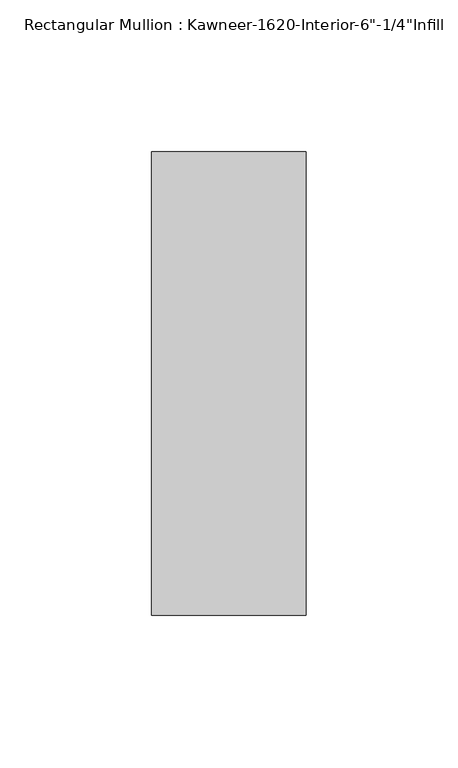
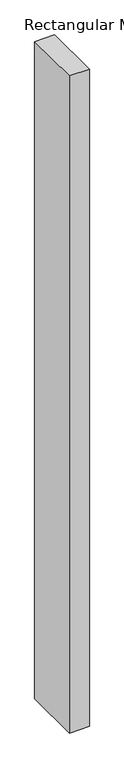
"""IFC4 building model written with IfcOpenShell, lengths in millimetres: member geometry."""

from ifc_helpers import new_model, si_unit, frame, origin, place, context, project, spatial, polyline, outline, extrude, source, transform, mapped, element, save


def member_aba9aed4(model_context):
    return source(origin(), model_context, "Body", "SweptSolid", [
        extrude(outline(polyline([(25.4, 123.825), (25.4, -28.575), (-25.4, -28.575), (-25.4, 123.825), (25.4, 123.825)])), frame((0.0, 0.0, -1765.3), z_axis=(0.0, 0.0, 1.0), x_axis=(1.0, 0.0, 0.0)), (0.0, 0.0, 1.0), 1765.3),
    ])


if __name__ == "__main__":
    model = new_model("IFC4")
    model_context = context("Model", 3, world=origin())
    ifc_project = project(units=[si_unit("LENGTHUNIT", "METRE", prefix="MILLI")], contexts=[model_context])
    site = spatial("IfcSite", under=ifc_project)
    building = spatial("IfcBuilding", under=site)
    placement = place(None, origin())
    member_shape = member_aba9aed4(model_context)
    element("IfcMember", 1, ObjectType="Rectangular Mullion : Kawneer-1620-Interior-6\"-1/4\"Infill", at=placement, inside=building, context=model_context, shape_type="MappedRepresentation", body=[
        mapped(member_shape, transform((0.0, 0.0, 0.0), x_axis=(1.0, 0.0, 0.0), y_axis=(0.0, 1.0, 0.0), z_axis=(0.0, 0.0, 1.0))),
    ])
    save(model, "model.ifc")
